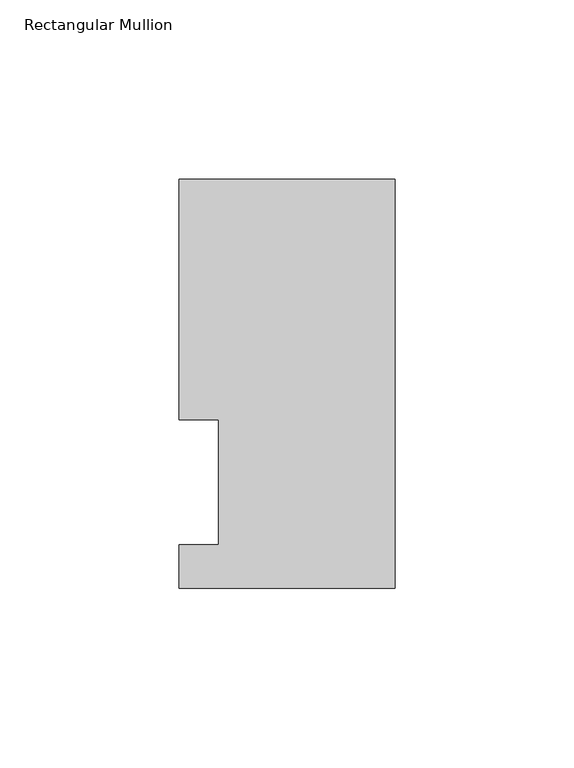
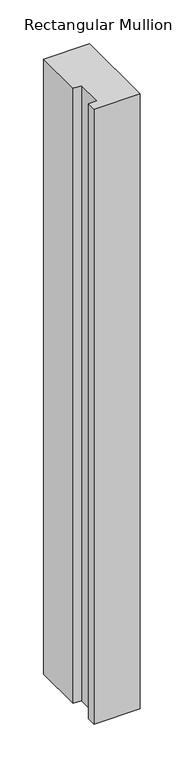
"""IFC4 building model written with IfcOpenShell, lengths in millimetres: member geometry, Rectangular Mullion."""

from ifc_helpers import new_model, si_unit, frame, origin, place, context, project, spatial, polyline, outline, extrude, source, transform, mapped, element, save


def rectangular_mullion_ad06afb7(model_context):
    return source(origin(), model_context, "Body", "SweptSolid", [
        extrude(outline(polyline([(0.0, 114.252375), (0.0, -0.047625), (-60.325, -0.047625), (-60.325, 12.144375), (-49.2125, 12.144375), (-49.2125, 47.069375), (-60.325, 47.069375), (-60.325, 114.252375), (0.0, 114.252375)])), frame((0.0, 0.0, -854.075), z_axis=(0.0, 0.0, 1.0), x_axis=(1.0, 0.0, 0.0)), (0.0, 0.0, 1.0), 854.075),
    ])


if __name__ == "__main__":
    model = new_model("IFC4")
    model_context = context("Model", 3, world=origin())
    ifc_project = project(units=[si_unit("LENGTHUNIT", "METRE", prefix="MILLI")], contexts=[model_context])
    site = spatial("IfcSite", under=ifc_project)
    building = spatial("IfcBuilding", under=site)
    placement = place(None, origin())
    rectangular_mullion_shape = rectangular_mullion_ad06afb7(model_context)
    element("IfcMember", 1, ObjectType="Rectangular Mullion", at=placement, inside=building, context=model_context, shape_type="MappedRepresentation", body=[
        mapped(rectangular_mullion_shape, transform((0.0, 0.0, 0.0), x_axis=(1.0, 0.0, 0.0), y_axis=(0.0, 1.0, 0.0), z_axis=(0.0, 0.0, 1.0))),
    ])
    save(model, "model.ifc")
